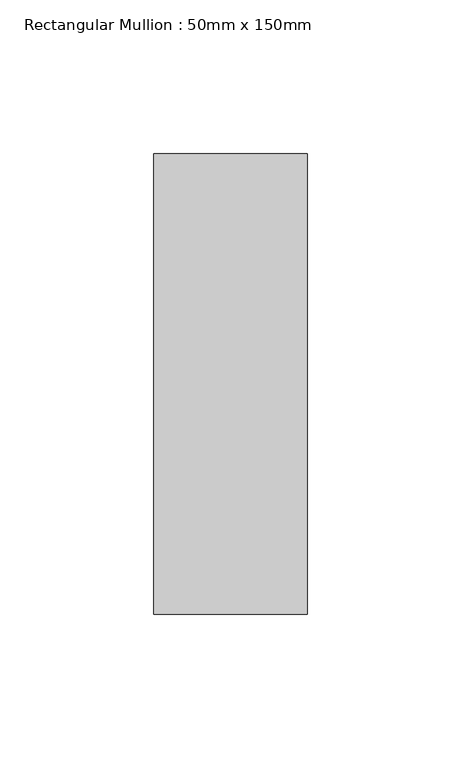
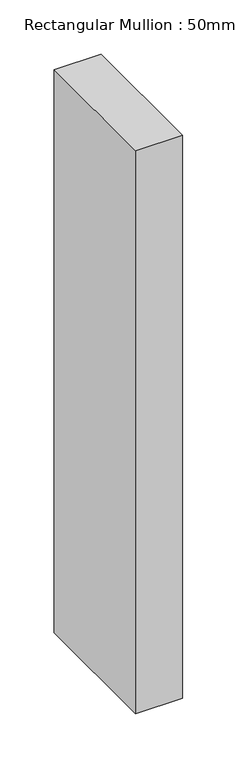
"""IFC4 building model written with IfcOpenShell, lengths in millimetres: member geometry, Rectangular Mullion : 50mm x 150mm."""

from ifc_helpers import new_model, si_unit, frame, origin, place, context, project, spatial, polyline, outline, extrude, source, transform, mapped, element, save


def rectangular_mullion_50mm_x_150mm_a6ca1167(model_context):
    return source(origin(), model_context, "Body", "SweptSolid", [
        extrude(outline(polyline([(0.0, 75.0), (0.0, -75.0), (-50.0, -75.0), (-50.0, 75.0), (0.0, 75.0)])), frame((0.0, 0.0, -632.5), z_axis=(0.0, 0.0, 1.0), x_axis=(1.0, 0.0, 0.0)), (0.0, 0.0, 1.0), 632.5),
    ])


if __name__ == "__main__":
    model = new_model("IFC4")
    model_context = context("Model", 3, world=origin())
    ifc_project = project(units=[si_unit("LENGTHUNIT", "METRE", prefix="MILLI")], contexts=[model_context])
    site = spatial("IfcSite", under=ifc_project)
    building = spatial("IfcBuilding", under=site)
    placement = place(None, origin())
    rectangular_mullion_50mm_x_150mm_shape = rectangular_mullion_50mm_x_150mm_a6ca1167(model_context)
    element("IfcMember", 1, ObjectType="Rectangular Mullion : 50mm x 150mm", at=placement, inside=building, context=model_context, shape_type="MappedRepresentation", body=[
        mapped(rectangular_mullion_50mm_x_150mm_shape, transform((0.0, 0.0, 0.0), x_axis=(1.0, 0.0, 0.0), y_axis=(0.0, 1.0, 0.0), z_axis=(0.0, 0.0, 1.0))),
    ])
    save(model, "model.ifc")
